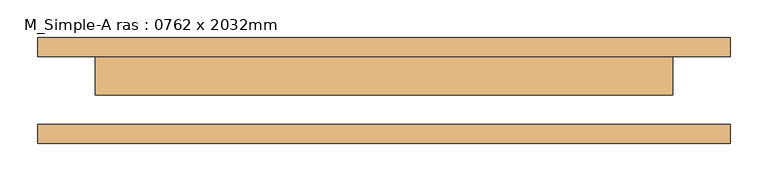
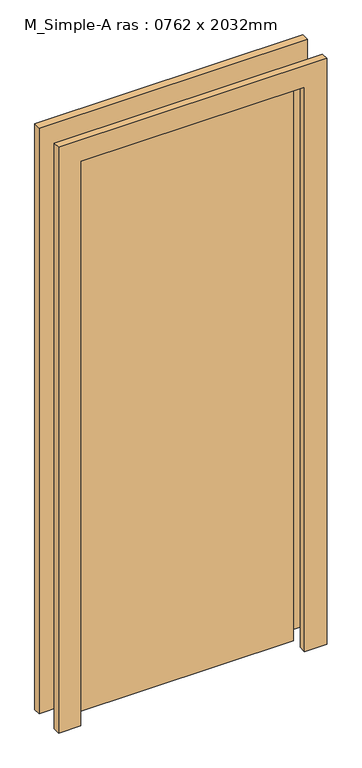
"""IFC4 building model written with IfcOpenShell, lengths in millimetres: door geometry, M_Simple-A ras : 0762 x 2032mm."""

from ifc_helpers import new_model, si_unit, frame, origin, origin_with_axes, place, context, project, spatial, polyline, outline, extrude, source, transform, mapped, element, save


def m_simple_a_ras_0762_x_2032mm_39105305(model_context):
    return source(origin(), model_context, "Body", "SweptSolid", [
        extrude(outline(polyline([(2108.0, -457.0), (0.0, -457.0), (0.0, -381.0), (2032.0, -381.0), (2032.0, 381.0), (0.0, 381.0), (0.0, 457.0), (2108.0, 457.0), (2108.0, -457.0)])), frame((0.0, 45.0, 0.0), z_axis=(0.0, 1.0, 0.0), x_axis=(0.0, 0.0, 1.0)), (0.0, 0.0, 1.0), 25.0),
        extrude(outline(polyline([(2108.0, 457.0), (2108.0, -457.0), (0.0, -457.0), (0.0, -381.0), (2032.0, -381.0), (2032.0, 381.0), (0.0, 381.0), (0.0, 457.0), (2108.0, 457.0)])), frame((0.0, -70.0, 0.0), z_axis=(0.0, 1.0, 0.0), x_axis=(0.0, 0.0, 1.0)), (0.0, 0.0, 1.0), 25.0),
        extrude(outline(polyline([(381.0, -6.0), (-381.0, -6.0), (-381.0, 45.0), (381.0, 45.0), (381.0, -6.0)])), origin_with_axes(), (0.0, 0.0, 1.0), 2032.0),
    ])


if __name__ == "__main__":
    model = new_model("IFC4")
    model_context = context("Model", 3, world=origin())
    ifc_project = project(units=[si_unit("LENGTHUNIT", "METRE", prefix="MILLI")], contexts=[model_context])
    site = spatial("IfcSite", under=ifc_project)
    building = spatial("IfcBuilding", under=site)
    placement = place(None, origin())
    m_simple_a_ras_0762_x_2032mm_shape = m_simple_a_ras_0762_x_2032mm_39105305(model_context)
    element("IfcDoor", 1, ObjectType="M_Simple-A ras : 0762 x 2032mm", at=placement, inside=building, context=model_context, shape_type="MappedRepresentation", body=[
        mapped(m_simple_a_ras_0762_x_2032mm_shape, transform((0.0, 0.0, 0.0), x_axis=(1.0, 0.0, 0.0), y_axis=(0.0, 1.0, 0.0), z_axis=(0.0, 0.0, 1.0))),
    ])
    save(model, "model.ifc")
